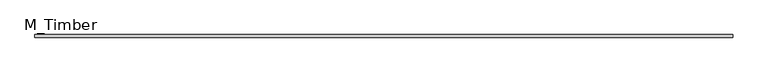
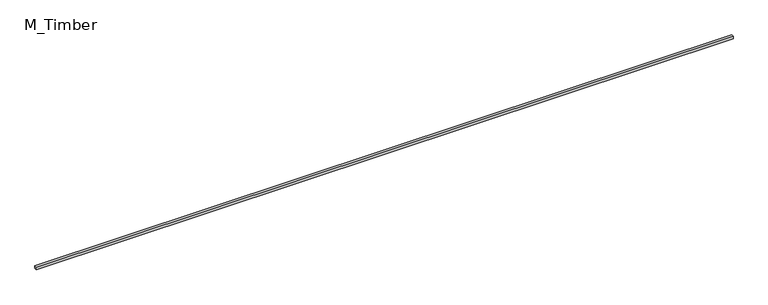
"""IFC4 building model written with IfcOpenShell, lengths in millimetres: beam geometry, M_Timber."""

from ifc_helpers import new_model, si_unit, frame, origin, place, context, project, spatial, polyline, outline, extrude, source, transform, mapped, element, save


def m_timber_7f87f1d4(model_context):
    return source(origin(), model_context, "Body", "SweptSolid", [
        extrude(outline(polyline([(5227.902584, 20.0), (5227.902584, -20.0), (-5227.902584, -20.0), (-5227.902584, 20.0), (5227.902584, 20.0)])), frame((0.0, 0.0, -20.0), z_axis=(0.0, 0.0, 1.0), x_axis=(1.0, 0.0, 0.0)), (0.0, 0.0, 1.0), 40.0),
    ])


if __name__ == "__main__":
    model = new_model("IFC4")
    model_context = context("Model", 3, world=origin())
    ifc_project = project(units=[si_unit("LENGTHUNIT", "METRE", prefix="MILLI")], contexts=[model_context])
    site = spatial("IfcSite", under=ifc_project)
    building = spatial("IfcBuilding", under=site)
    placement = place(None, origin())
    m_timber_shape = m_timber_7f87f1d4(model_context)
    element("IfcBeam", 1, ObjectType="M_Timber", at=placement, inside=building, context=model_context, shape_type="MappedRepresentation", body=[
        mapped(m_timber_shape, transform((0.0, 0.0, 0.0), x_axis=(1.0, 0.0, 0.0), y_axis=(0.0, 1.0, 0.0), z_axis=(0.0, 0.0, 1.0))),
    ])
    save(model, "model.ifc")
